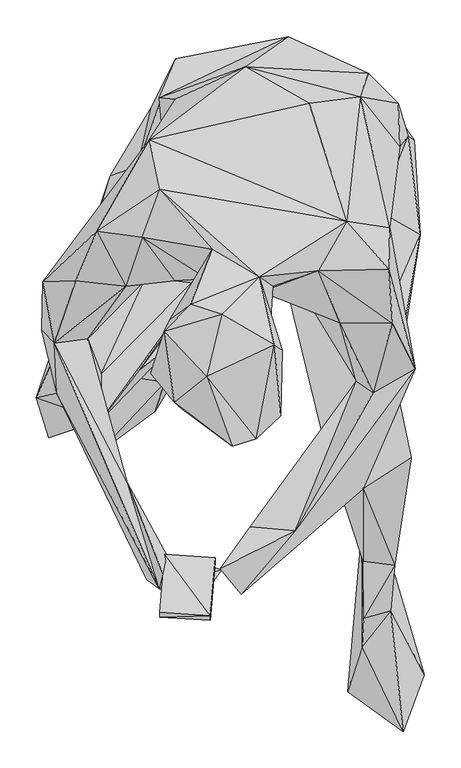
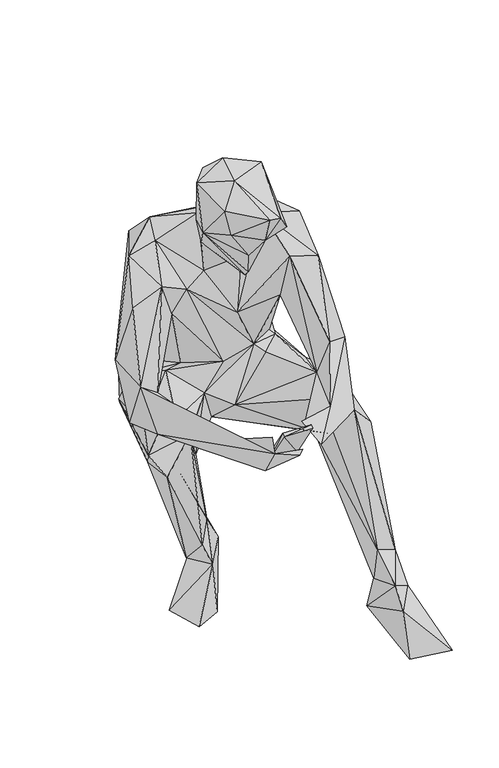
"""IFC4 building model written with IfcOpenShell, lengths in millimetres: geographic element geometry."""

from ifc_helpers import new_model, si_unit, origin, place, context, project, spatial, faceted_brep, source, transform, mapped, element, save


def geographic_element_c17247d0(model_context):
    return source(origin(), model_context, "Body", "Brep", [
        faceted_brep([(-83.0585276, 183.0535657, 453.84177), (-190.9142709, -49.6606262, 502.6932893), (-19.5797698, 124.1040661, 407.0518861), (-248.1044649, -9.2975105, 478.8174868), (-209.6647743, -1.7074711, 550.096505), (-191.5678805, -113.6346445, 500.8590756), (-141.3256211, 235.2365226, 428.2700068), (28.8369689, 125.129117, 473.1508733), (-52.3240523, 169.704763, 470.6429483), (-123.7642899, 86.0876356, 677.6154554), (-90.4527742, 77.8986877, 736.0121517), (118.3942616, 145.7886529, 475.7451654), (-106.8681018, 270.8745863, 440.1474243), (-89.2923836, 327.0771463, 570.7473684), (-111.3858507, 329.3777962, 440.1532059), (-88.5322232, 383.2998824, 394.1839587), (6.3691837, 371.9234719, 650.1663843), (65.3705142, 413.5074564, 373.9159955), (-125.3133997, 271.8276646, 787.1873281), (-157.6804946, 114.2623485, 654.0995755), (175.7658549, 362.9369393, 403.5994957), (164.3260846, 330.9240002, 596.126251), (94.1844422, 321.9777902, 735.1109295), (170.8709129, 317.1317836, 281.0963656), (-22.9572781, 369.6861817, 281.1251844), (-122.9753405, 315.0730392, 301.5658818), (38.2525357, 192.7138841, 281.2691594), (238.4182334, 271.3583376, 353.043373), (217.2979984, 180.8537222, 300.3277443), (246.8432903, 141.2622762, 397.3800491), (230.1745833, 276.6045298, 408.1143686), (154.5621138, -127.2166654, 388.4885263), (209.3278889, -97.8354949, 403.7521134), (158.8523964, -59.614639, 510.2113422), (212.0517764, -57.5789206, 493.2690798), (189.3853224, 174.3088939, 460.0583556), (218.5937288, 262.1097532, 475.1376451), (216.402528, 322.1131225, 462.3100402), (128.3885821, 110.9971316, 472.4512042), (181.1186351, 187.7930141, 467.1070518), (205.3313081, 151.1529367, 750.4032758), (145.9959727, 160.0674967, 858.6419715), (-110.7322336, 203.6900644, 860.3466047), (25.7502754, 83.8388418, 926.1720066), (107.03799, 92.0623455, 863.0388272), (203.3042287, 93.781336, 833.1508534), (-197.3698264, 145.9153426, 821.6160434), (-38.4627278, 121.5730891, 896.2408789), (-134.7203238, 137.8444565, 846.5428248), (-225.8699061, 78.486084, 733.5532217), (-157.5278769, 70.8874008, 770.3199291), (-271.3928785, 77.0060783, 610.9146996), (-45.2062296, 80.6398531, 768.983891), (28.7073959, 62.8366612, 642.13293), (44.6821855, 70.5764285, 806.4849277), (-25.2463852, 16.1533093, 825.3995078), (-74.4549474, 41.1923783, 878.5614859), (52.3298116, 113.663441, 355.7240919), (130.0787761, 49.2546366, 661.9142212), (-138.2014883, -43.7866965, 385.0678158), (-85.8371322, -3.1356425, 171.6972866), (-161.4467035, 9.9136977, 338.5140556), (120.6488147, -115.5350269, 399.5050143), (-233.5607232, -0.0316732, 371.2842419), (-102.8312208, 44.6965801, 60.2193058), (-29.9167369, 45.2724541, 73.0584553), (-178.4379311, 222.0806452, 387.362684), (-280.0482775, -82.6496621, 456.0589138), (-203.7332629, 159.8659436, 651.6406456), (-251.9656985, -76.3985356, 498.1985627), (-272.6079788, 10.3484838, 484.230721), (-263.2701364, -137.1706707, 424.1928108), (-112.8572063, -30.0319098, 126.6897454), (-139.3935514, -4.5407786, 85.814095), (-103.9282667, -60.7807852, 89.6177579), (-116.8768317, -100.7983747, -8.1947091), (-206.0281162, -45.462496, -6.4642033), (-195.2592408, -158.2592408, 14.083037), (-29.8332345, 83.5307528, -0.6910507), (-128.3223613, -332.1621377, 513.1310161), (-155.4028969, -199.3537223, 524.2022807), (-111.6766692, -344.6759241, 560.1051977), (-255.2539377, -7.3049813, 583.3907055), (-65.4453776, -372.9946269, 557.4072531), (-25.8884855, -318.4793552, 525.863641), (-101.2245255, -298.5223793, 510.1739105), (-106.4275565, -323.820587, 589.6274971), (234.4418288, -164.8501435, 415.4107221), (182.5064845, -148.348419, 284.2464412), (208.5187707, -314.3272659, 67.0088745), (171.4727112, -287.5029707, 94.1585365), (116.3729415, -148.0432134, 508.1496772), (168.4695163, -307.1460984, 183.8425077), (169.5176044, -385.1657462, 133.6722357), (166.4193997, -265.8558157, 8.8080167), (168.4263328, -207.4850921, 496.1427091), (211.56804, -312.4700746, 170.6290522), (206.5262471, -374.4688584, 116.0504357), (167.0730242, -423.9077814, 90.429737), (147.1649986, -486.0216915, 6.1503508), (252.2622912, -462.8167691, 2.1825684), (223.5865714, -540.6233005, 37.1612529), (239.6707654, -42.6378282, 566.2152101), (136.2060888, 20.1671624, 779.2719506), (208.5274134, 19.5682512, 757.7284481), (182.114882, -75.8197745, 593.3994578), (40.2364242, 1.5692608, 911.9536764), (-9.8964217, -37.2447516, 816.1106605), (-4.4515179, -117.5592304, 955.8181049), (57.5357259, -17.235955, 964.450407), (-123.3180001, -49.0012498, 975.1242875), (-25.9691082, -80.5074041, 856.499721), (-96.8248385, 24.8605475, 956.1866404), (-68.4687263, 45.5172056, 1072.4444257), (-104.5242908, 8.9375888, 1067.4717294), (-25.9460729, 31.9610942, 1091.8053254), (-46.3464664, -53.2454544, 1089.5362958), (-90.9768183, -88.9785279, 1045.04429), (46.7639746, -10.0231141, 1081.6526279), (55.4453016, -107.3230492, 964.6290421), (22.0272389, -139.0883458, 1017.5605887), (-11.4915966, -149.163289, 1029.9908988), (-79.9948712, -98.3192312, 983.9812992), (-34.1321449, -96.8795407, 913.4682304), (75.1287257, -264.7300032, 573.2352067), (13.1817915, -259.2534391, 546.3187031), (0.9962647, -352.4934308, 551.2021712), (-27.6218705, -316.9993421, 600.2235934)], [[[0, 1, 2]], [[3, 1, 0]], [[3, 4, 1]], [[4, 5, 1]], [[5, 2, 1]], [[0, 6, 3]], [[0, 2, 7]], [[0, 7, 8]], [[8, 6, 0]], [[9, 8, 7]], [[10, 7, 11]], [[10, 9, 7]], [[11, 7, 2]], [[12, 8, 9]], [[8, 12, 6]], [[13, 14, 12]], [[9, 13, 12]], [[15, 6, 12]], [[15, 12, 14]], [[14, 13, 16]], [[17, 14, 16]], [[14, 17, 15]], [[18, 16, 13]], [[18, 13, 19]], [[9, 19, 13]], [[20, 17, 16]], [[21, 20, 16]], [[18, 22, 16]], [[22, 21, 16]], [[23, 24, 17]], [[17, 20, 23]], [[15, 17, 24]], [[24, 25, 15]], [[25, 24, 23]], [[25, 23, 26]], [[20, 27, 23]], [[26, 23, 28]], [[28, 23, 27]], [[27, 29, 28]], [[29, 27, 30]], [[27, 20, 30]], [[31, 26, 28]], [[31, 28, 32]], [[29, 32, 28]], [[33, 34, 29]], [[35, 33, 29]], [[32, 29, 34]], [[30, 35, 29]], [[35, 30, 36]], [[37, 30, 20]], [[37, 36, 30]], [[38, 33, 35]], [[39, 35, 36]], [[35, 39, 11]], [[38, 35, 11]], [[39, 36, 40]], [[21, 40, 36]], [[37, 21, 36]], [[21, 37, 20]], [[21, 22, 41]], [[21, 41, 40]], [[41, 22, 18]], [[18, 42, 41]], [[43, 41, 42]], [[41, 43, 44]], [[41, 45, 40]], [[44, 45, 41]], [[46, 42, 18]], [[47, 42, 48]], [[47, 43, 42]], [[46, 48, 42]], [[49, 50, 46]], [[51, 46, 18]], [[51, 49, 46]], [[50, 48, 46]], [[47, 48, 52]], [[10, 48, 50]], [[52, 48, 10]], [[52, 53, 54]], [[54, 55, 52]], [[56, 47, 52]], [[55, 56, 52]], [[52, 10, 53]], [[53, 10, 11]], [[10, 50, 9]], [[2, 57, 11]], [[58, 11, 39]], [[58, 53, 11]], [[38, 11, 57]], [[5, 59, 2]], [[59, 26, 2]], [[2, 26, 57]], [[5, 60, 59]], [[59, 61, 26]], [[59, 60, 61]], [[61, 25, 26]], [[62, 57, 26]], [[31, 62, 26]], [[61, 63, 25]], [[61, 64, 63]], [[64, 61, 65]], [[65, 61, 60]], [[6, 15, 25]], [[66, 6, 25]], [[25, 63, 66]], [[66, 3, 6]], [[67, 3, 66]], [[67, 66, 63]], [[4, 3, 19]], [[68, 19, 3]], [[67, 69, 3]], [[70, 68, 3]], [[69, 70, 3]], [[5, 69, 67]], [[71, 5, 67]], [[67, 63, 71]], [[71, 72, 5]], [[71, 73, 72]], [[73, 71, 63]], [[63, 64, 73]], [[74, 72, 73]], [[73, 64, 74]], [[60, 5, 72]], [[60, 72, 74]], [[65, 74, 75]], [[76, 77, 74]], [[64, 76, 74]], [[74, 65, 60]], [[74, 77, 75]], [[78, 76, 64]], [[65, 78, 64]], [[75, 78, 65]], [[75, 76, 78]], [[77, 76, 75]], [[79, 69, 5]], [[80, 5, 4]], [[80, 79, 5]], [[69, 81, 82]], [[79, 81, 69]], [[82, 70, 69]], [[70, 51, 68]], [[82, 51, 70]], [[68, 51, 18]], [[51, 82, 49]], [[19, 68, 18]], [[9, 4, 19]], [[9, 50, 4]], [[82, 4, 50]], [[50, 49, 82]], [[4, 82, 80]], [[80, 82, 81]], [[81, 79, 83]], [[84, 81, 83]], [[81, 84, 85]], [[86, 80, 81]], [[85, 86, 81]], [[83, 79, 84]], [[79, 80, 85]], [[85, 84, 79]], [[80, 86, 85]], [[31, 87, 88]], [[62, 31, 88]], [[31, 32, 87]], [[87, 89, 88]], [[90, 62, 88]], [[88, 89, 90]], [[91, 57, 62]], [[91, 62, 92]], [[92, 62, 90]], [[92, 90, 93]], [[93, 90, 94]], [[90, 89, 94]], [[92, 95, 91]], [[92, 93, 96]], [[95, 92, 96]], [[93, 97, 96]], [[97, 93, 98]], [[98, 93, 94]], [[98, 94, 99]], [[89, 100, 94]], [[99, 94, 100]], [[98, 101, 97]], [[101, 98, 99]], [[89, 97, 100]], [[96, 97, 89]], [[97, 101, 100]], [[89, 87, 96]], [[96, 87, 95]], [[87, 34, 95]], [[34, 87, 32]], [[33, 58, 34]], [[40, 102, 34]], [[95, 34, 102]], [[40, 34, 58]], [[39, 40, 58]], [[103, 58, 33]], [[53, 58, 103]], [[45, 102, 40]], [[102, 45, 104]], [[104, 45, 44]], [[105, 104, 103]], [[103, 104, 44]], [[105, 102, 104]], [[103, 33, 105]], [[103, 44, 53]], [[53, 44, 54]], [[54, 44, 43]], [[106, 55, 54]], [[54, 43, 106]], [[106, 107, 55]], [[56, 55, 107]], [[106, 108, 107]], [[43, 109, 106]], [[109, 108, 106]], [[56, 107, 110]], [[108, 111, 107]], [[110, 107, 111]], [[56, 112, 47]], [[112, 56, 110]], [[113, 47, 112]], [[112, 114, 113]], [[114, 112, 110]], [[43, 47, 113]], [[115, 43, 113]], [[114, 115, 113]], [[116, 115, 114]], [[117, 116, 114]], [[117, 114, 110]], [[116, 118, 115]], [[43, 115, 118]], [[43, 118, 109]], [[119, 118, 120]], [[118, 119, 109]], [[118, 116, 120]], [[121, 116, 117]], [[116, 121, 120]], [[117, 122, 121]], [[117, 110, 122]], [[122, 108, 121]], [[121, 108, 120]], [[120, 108, 119]], [[109, 119, 108]], [[108, 122, 123]], [[108, 123, 111]], [[122, 110, 123]], [[123, 110, 111]], [[33, 124, 105]], [[124, 102, 105]], [[125, 124, 33]], [[124, 126, 102]], [[124, 127, 126]], [[127, 124, 125]], [[91, 125, 33]], [[91, 33, 57]], [[57, 33, 38]], [[126, 125, 91]], [[126, 127, 125]], [[126, 95, 102]], [[126, 91, 95]], [[101, 99, 100]]]),
        faceted_brep([(-103.8821923, -297.3907851, 520.9945972), (-41.1376687, -381.7421449, 634.9776905), (-34.4028059, -302.0467125, 521.8526657), (-110.6141792, -377.0861877, 634.119622), (-103.8821923, -303.8232885, 515.9153875), (-110.6141792, -383.5216117, 629.0403527), (-41.1376687, -388.1775689, 629.8955601), (-34.4028059, -308.4792457, 516.7733963)], [[[0, 1, 2]], [[1, 0, 3]], [[4, 3, 0]], [[3, 4, 5]], [[5, 1, 3]], [[1, 5, 6]], [[6, 2, 1]], [[2, 6, 7]], [[7, 0, 2]], [[0, 7, 4]], [[5, 7, 6]], [[7, 5, 4]]]),
    ])


if __name__ == "__main__":
    model = new_model("IFC4")
    model_context = context("Model", 3, world=origin())
    ifc_project = project(units=[si_unit("LENGTHUNIT", "METRE", prefix="MILLI")], contexts=[model_context])
    site = spatial("IfcSite", under=ifc_project)
    building = spatial("IfcBuilding", under=site)
    placement = place(None, origin())
    geographic_element_shape = geographic_element_c17247d0(model_context)
    element("IfcGeographicElement", 1, at=placement, inside=building, context=model_context, shape_type="MappedRepresentation", body=[
        mapped(geographic_element_shape, transform((0.0, 0.0, 0.0), x_axis=(1.0, 0.0, 0.0), y_axis=(0.0, 1.0, 0.0), z_axis=(0.0, 0.0, 1.0))),
    ])
    save(model, "model.ifc")
